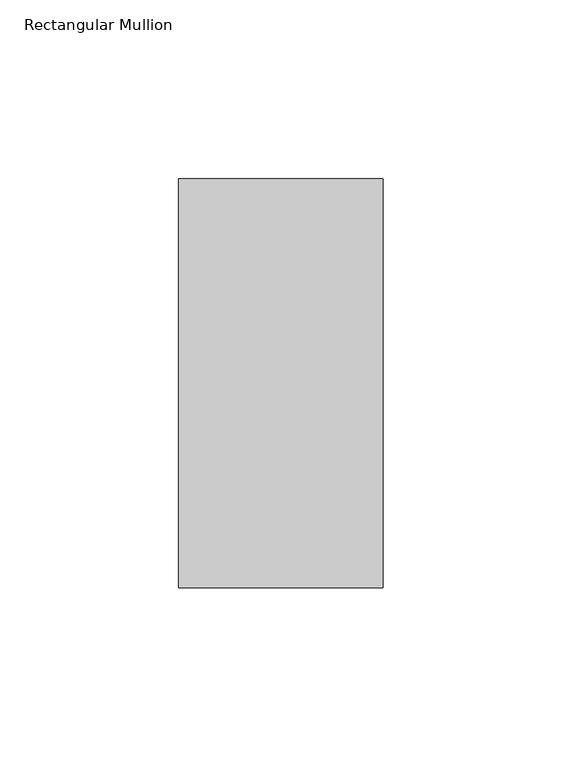
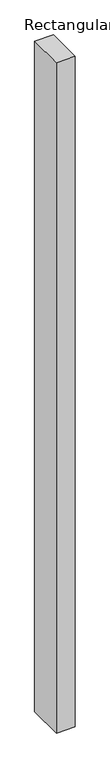
"""IFC4 building model written with IfcOpenShell, lengths in millimetres: member geometry, Rectangular Mullion."""

from ifc_helpers import new_model, si_unit, frame, origin, place, context, project, spatial, polyline, outline, extrude, source, transform, mapped, element, save


def rectangular_mullion_2377b8a7(model_context):
    return source(origin(), model_context, "Body", "SweptSolid", [
        extrude(outline(polyline([(0.0, 57.12714), (0.0, -57.17286), (-57.15, -57.17286), (-57.15, 57.12714), (0.0, 57.12714)])), frame((0.0, 0.0, -2159.0), z_axis=(0.0, 0.0, 1.0), x_axis=(1.0, 0.0, 0.0)), (0.0, 0.0, 1.0), 2159.0),
    ])


if __name__ == "__main__":
    model = new_model("IFC4")
    model_context = context("Model", 3, world=origin())
    ifc_project = project(units=[si_unit("LENGTHUNIT", "METRE", prefix="MILLI")], contexts=[model_context])
    site = spatial("IfcSite", under=ifc_project)
    building = spatial("IfcBuilding", under=site)
    placement = place(None, origin())
    rectangular_mullion_shape = rectangular_mullion_2377b8a7(model_context)
    element("IfcMember", 1, ObjectType="Rectangular Mullion", at=placement, inside=building, context=model_context, shape_type="MappedRepresentation", body=[
        mapped(rectangular_mullion_shape, transform((0.0, 0.0, 0.0), x_axis=(1.0, 0.0, 0.0), y_axis=(0.0, 1.0, 0.0), z_axis=(0.0, 0.0, 1.0))),
    ])
    save(model, "model.ifc")
